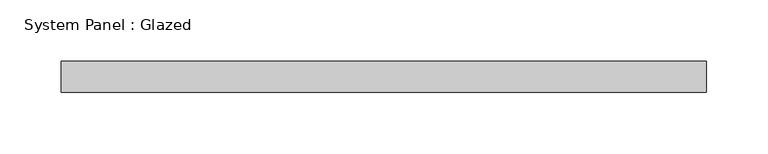
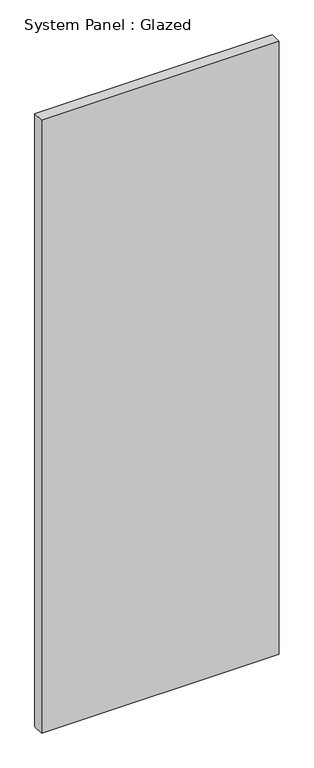
"""IFC4 building model written with IfcOpenShell, lengths in millimetres: plate geometry, System Panel : Glazed."""

from ifc_helpers import new_model, si_unit, origin, origin_with_axes, place, context, project, spatial, polyline, outline, extrude, source, transform, mapped, element, save


def system_panel_glazed_ed1c271d(model_context):
    return source(origin(), model_context, "Body", "SweptSolid", [
        extrude(outline(polyline([(263.525, 0.0), (-263.525, 0.0), (-263.525, 25.4), (263.525, 25.4), (263.525, 0.0)])), origin_with_axes(), (0.0, 0.0, 1.0), 1435.1),
    ])


if __name__ == "__main__":
    model = new_model("IFC4")
    model_context = context("Model", 3, world=origin())
    ifc_project = project(units=[si_unit("LENGTHUNIT", "METRE", prefix="MILLI")], contexts=[model_context])
    site = spatial("IfcSite", under=ifc_project)
    building = spatial("IfcBuilding", under=site)
    placement = place(None, origin())
    system_panel_glazed_shape = system_panel_glazed_ed1c271d(model_context)
    element("IfcPlate", 1, ObjectType="System Panel : Glazed", at=placement, inside=building, context=model_context, shape_type="MappedRepresentation", body=[
        mapped(system_panel_glazed_shape, transform((0.0, 0.0, 0.0), x_axis=(1.0, 0.0, 0.0), y_axis=(0.0, 1.0, 0.0), z_axis=(0.0, 0.0, 1.0))),
    ])
    save(model, "model.ifc")
